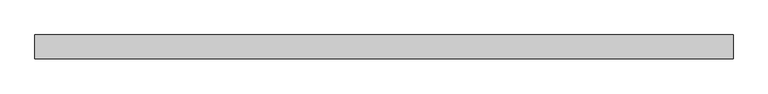
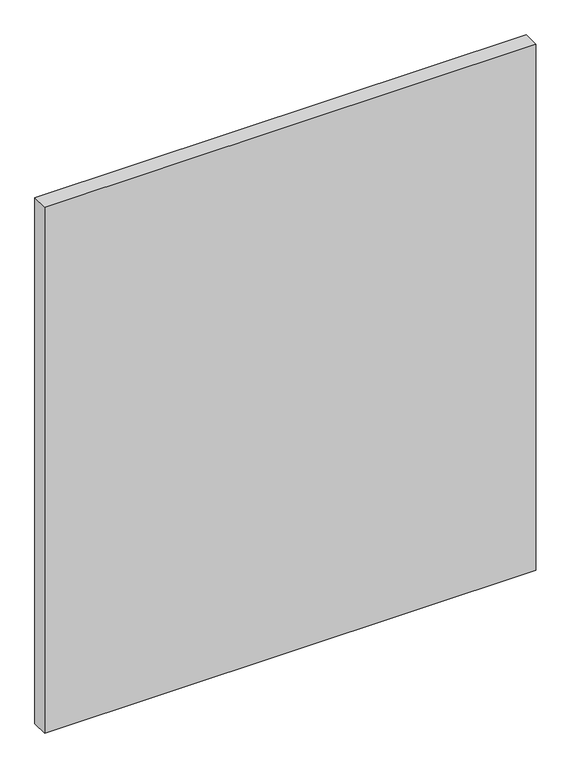
"""IFC4 building model written with IfcOpenShell, lengths in millimetres: plate geometry."""

import ifcopenshell
import ifcopenshell.guid

model = None  # the IFC model being written
_history = None  # IfcOwnerHistory: only IFC2X3 demands one
_inside = {}  # id of a spatial element -> (the spatial element, [elements in it])
_under = {}  # id of a project, library or spatial element -> (it, [spatial elements below it])
_declared = {}  # id of a project -> (the project, [libraries it declares])
_typed = {}  # id of a type object -> (the type object, [elements of that type])
_made_of = {}  # id of a material, layer set ... -> (it, [elements and type objects made of it])


def new_model(schema):
    """Start an empty IFC model of exactly this schema.

    Asked for "IFC4X3", IfcOpenShell would pick the latest addendum, in which some entities
    have other attributes; the version numbers below select the first issue.
    IFC2X3 requires an IfcOwnerHistory on every rooted entity: one is made here for all.
    """
    global model, _history
    if schema == "IFC4X3":
        model = ifcopenshell.file(schema_version=(4, 3, 0, 0))
    else:
        model = ifcopenshell.file(schema=schema)
    _inside.clear()
    _under.clear()
    _declared.clear()
    _typed.clear()
    _made_of.clear()
    _history = None
    if model.schema == "IFC2X3":
        org = make("IfcOrganization", Name="unknown")
        user = make(
            "IfcPersonAndOrganization",
            ThePerson=make("IfcPerson", FamilyName="unknown"),
            TheOrganization=org,
        )
        app = make(
            "IfcApplication",
            ApplicationDeveloper=org,
            Version="unknown",
            ApplicationFullName="unknown",
            ApplicationIdentifier="unknown",
        )
        _history = make(
            "IfcOwnerHistory",
            OwningUser=user,
            OwningApplication=app,
            ChangeAction="ADDED",
            CreationDate=0,
        )
    return model


def make(cls, **values):
    """One entity of the class cls with the attributes given. An attribute that is None is left unset."""
    return model.create_entity(
        cls, **{name: value for name, value in values.items() if value is not None}
    )


def rooted(cls, **values):
    """An entity with a GlobalId (a new one), such as an element, a storey or a relation."""
    return make(cls, GlobalId=ifcopenshell.guid.new(), OwnerHistory=_history, **values)


def si_unit(unit_type, name, prefix=None):
    """IfcSIUnit, for example si_unit("LENGTHUNIT", "METRE", prefix="MILLI")."""
    return make("IfcSIUnit", UnitType=unit_type, Prefix=prefix, Name=name)


def assignment(units):
    """IfcUnitAssignment: the units of a project."""
    return None if units is None else make("IfcUnitAssignment", Units=units)


def point(xyz):
    """IfcCartesianPoint."""
    return None if xyz is None else make("IfcCartesianPoint", Coordinates=xyz)


def direction(xyz):
    """IfcDirection."""
    return None if xyz is None else make("IfcDirection", DirectionRatios=xyz)


def frame(location, z_axis=None, x_axis=None):
    """IfcAxis2Placement3D, a coordinate frame: its origin and axes. An axis left out is left unset."""
    return make(
        "IfcAxis2Placement3D",
        Location=point(location),
        Axis=direction(z_axis),
        RefDirection=direction(x_axis),
    )


def origin():
    """The frame at (0, 0, 0) with its axes left unset."""
    return frame((0.0, 0.0, 0.0))


def origin_with_axes():
    """The frame at (0, 0, 0) with the z axis (0, 0, 1) and the x axis (1, 0, 0) written out."""
    return frame((0.0, 0.0, 0.0), z_axis=(0.0, 0.0, 1.0), x_axis=(1.0, 0.0, 0.0))


def place(relative_to, where):
    """IfcLocalPlacement: puts the frame where relative to a parent placement (None: the world)."""
    return make(
        "IfcLocalPlacement", PlacementRelTo=relative_to, RelativePlacement=where
    )


def context(
    kind, dimensions, precision=None, world=None, true_north=None, identifier=None
):
    """IfcGeometricRepresentationContext, for example the 3D "Model" context."""
    return make(
        "IfcGeometricRepresentationContext",
        ContextIdentifier=identifier,
        ContextType=kind,
        CoordinateSpaceDimension=dimensions,
        Precision=precision,
        WorldCoordinateSystem=world,
        TrueNorth=true_north,
    )


def project(units=None, contexts=None):
    """IfcProject with its units and contexts."""
    return rooted(
        "IfcProject",
        Name="project",
        RepresentationContexts=contexts,
        UnitsInContext=assignment(units),
    )


def spatial(cls, under=None, at=None, **own):
    """A site, building, storey or space (cls), placed at a placement, below another one or the project."""
    s = rooted(cls, ObjectPlacement=at, **own)
    if under is not None:
        _under.setdefault(under.id(), (under, []))[1].append(s)
    return s


def polyline(points):
    """IfcPolyline through the points."""
    return make("IfcPolyline", Points=[point(p) for p in points])


def outline(outer, holes=None, kind="AREA"):
    """IfcArbitraryClosedProfileDef: a profile drawn as a closed curve; with holes, ...WithVoids."""
    if holes is None:
        return make("IfcArbitraryClosedProfileDef", ProfileType=kind, OuterCurve=outer)
    return make(
        "IfcArbitraryProfileDefWithVoids",
        ProfileType=kind,
        OuterCurve=outer,
        InnerCurves=holes,
    )


def extrude(swept, where, along, depth):
    """IfcExtrudedAreaSolid: the profile swept, set in the frame where, extruded along a direction by depth."""
    return make(
        "IfcExtrudedAreaSolid",
        SweptArea=swept,
        Position=where,
        ExtrudedDirection=direction(along),
        Depth=depth,
    )


def shape(context_of_items, identifier, shape_type, items):
    """IfcShapeRepresentation: the items that make up one representation, for example the "Body"."""
    return make(
        "IfcShapeRepresentation",
        ContextOfItems=context_of_items,
        RepresentationIdentifier=identifier,
        RepresentationType=shape_type,
        Items=items,
    )


def source(mapping_origin, context_of_items, identifier, shape_type, items):
    """IfcRepresentationMap: a shape defined once, which mapped items show again and again."""
    return make(
        "IfcRepresentationMap",
        MappingOrigin=mapping_origin,
        MappedRepresentation=shape(context_of_items, identifier, shape_type, items),
    )


def transform(
    local_origin,
    x_axis=None,
    y_axis=None,
    z_axis=None,
    scale=None,
    scale2=None,
    scale3=None,
    uniform=True,
):
    """IfcCartesianTransformationOperator3D, or its non-uniform kind. x_axis, y_axis, z_axis: its Axis1, 2, 3."""
    if uniform:
        return make(
            "IfcCartesianTransformationOperator3D",
            Axis1=direction(x_axis),
            Axis2=direction(y_axis),
            LocalOrigin=point(local_origin),
            Scale=scale,
            Axis3=direction(z_axis),
        )
    return make(
        "IfcCartesianTransformationOperator3DnonUniform",
        Axis1=direction(x_axis),
        Axis2=direction(y_axis),
        LocalOrigin=point(local_origin),
        Scale=scale,
        Axis3=direction(z_axis),
        Scale2=scale2,
        Scale3=scale3,
    )


def mapped(mapping_source, mapping_target):
    """IfcMappedItem: shows the shape of a source again, moved by a transform."""
    return make(
        "IfcMappedItem", MappingSource=mapping_source, MappingTarget=mapping_target
    )


def made_of(thing, what):
    """Note that an element or type object is made of a material, layer set ...; save() writes the relation."""
    if what is not None:
        _made_of.setdefault(what.id(), (what, []))[1].append(thing)
    return thing


def element(
    cls,
    number,
    at=None,
    inside=None,
    cuts=None,
    type_object=None,
    material=None,
    context=None,
    identifier="Body",
    shape_type=None,
    held_by="IfcProductDefinitionShape",
    body=None,
    shapes=None,
    **own,
):
    """One element of the class cls, such as IfcWall. Its Tag is "e" and its number.

    at: its placement. inside: the storey or other place that contains it. cuts: it is an
    opening in that element (IfcRelVoidsElement). A single representation is given by context,
    identifier, shape_type and body (its items); several are given by shapes. held_by: the class
    of the entity that holds the representations. save() writes the other relations.
    """
    e = rooted(cls, Tag="e%d" % number, ObjectPlacement=at, **own)
    if body is not None:
        shapes = [shape(context, identifier, shape_type, body)]
    if shapes is not None:
        e.Representation = make(held_by, Representations=shapes)
    if inside is not None:
        _inside.setdefault(inside.id(), (inside, []))[1].append(e)
    if cuts is not None:
        rooted(
            "IfcRelVoidsElement", RelatingBuildingElement=cuts, RelatedOpeningElement=e
        )
    if type_object is not None:
        _typed.setdefault(type_object.id(), (type_object, []))[1].append(e)
    return made_of(e, material)


def aggregate(whole, parts):
    """IfcRelAggregates: a whole, such as a stair, and the parts it consists of."""
    return rooted("IfcRelAggregates", RelatingObject=whole, RelatedObjects=parts)


def save(model, path):
    """Write the relations noted so far, then the file.

    IfcRelAggregates (storeys below a building ...), IfcRelContainedInSpatialStructure (elements
    in a storey), IfcRelDefinesByType, IfcRelAssociatesMaterial and IfcRelDeclares: one each for
    every whole, place, type object, material and project.
    """
    for whole, parts in _under.values():
        aggregate(whole, parts)
    for where, things in _inside.values():
        rooted(
            "IfcRelContainedInSpatialStructure",
            RelatedElements=things,
            RelatingStructure=where,
        )
    for kind, things in _typed.values():
        rooted("IfcRelDefinesByType", RelatedObjects=things, RelatingType=kind)
    for what, things in _made_of.values():
        rooted("IfcRelAssociatesMaterial", RelatedObjects=things, RelatingMaterial=what)
    for by, libraries in _declared.values():
        rooted("IfcRelDeclares", RelatingContext=by, RelatedDefinitions=libraries)
    model.write(path)


def plate_ec6769b2(model_context):
    return source(origin(), model_context, "Body", "SweptSolid", [
        extrude(outline(polyline([(516.7291667, -17.5), (-516.7291667, -17.5), (-516.7291667, 17.5), (516.7291667, 17.5), (516.7291667, -17.5)])), origin_with_axes(), (0.0, 0.0, 1.0), 1170.0),
    ])


if __name__ == "__main__":
    model = new_model("IFC4")
    model_context = context("Model", 3, world=origin())
    ifc_project = project(units=[si_unit("LENGTHUNIT", "METRE", prefix="MILLI")], contexts=[model_context])
    site = spatial("IfcSite", under=ifc_project)
    building = spatial("IfcBuilding", under=site)
    placement = place(None, origin())
    plate_shape = plate_ec6769b2(model_context)
    element("IfcPlate", 1, at=placement, inside=building, context=model_context, shape_type="MappedRepresentation", body=[
        mapped(plate_shape, transform((0.0, 0.0, 0.0), x_axis=(1.0, 0.0, 0.0), y_axis=(0.0, 1.0, 0.0), z_axis=(0.0, 0.0, 1.0))),
    ])
    save(model, "model.ifc")
